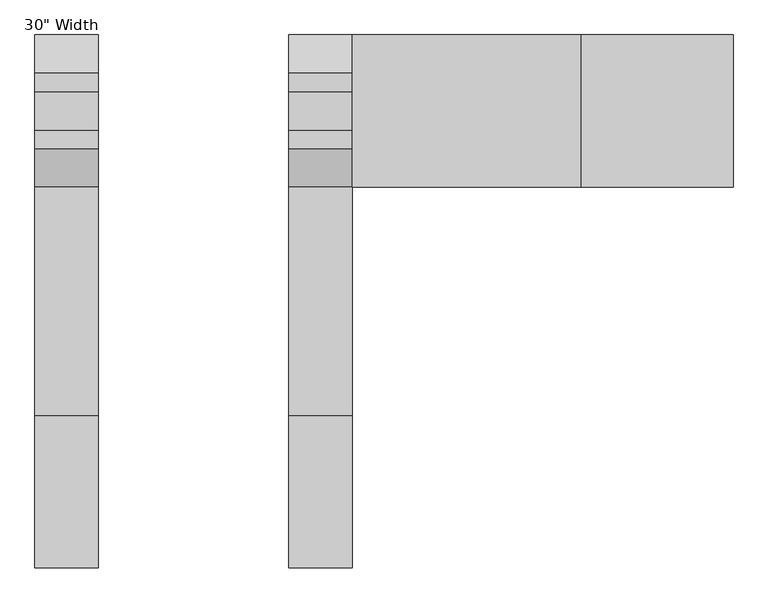
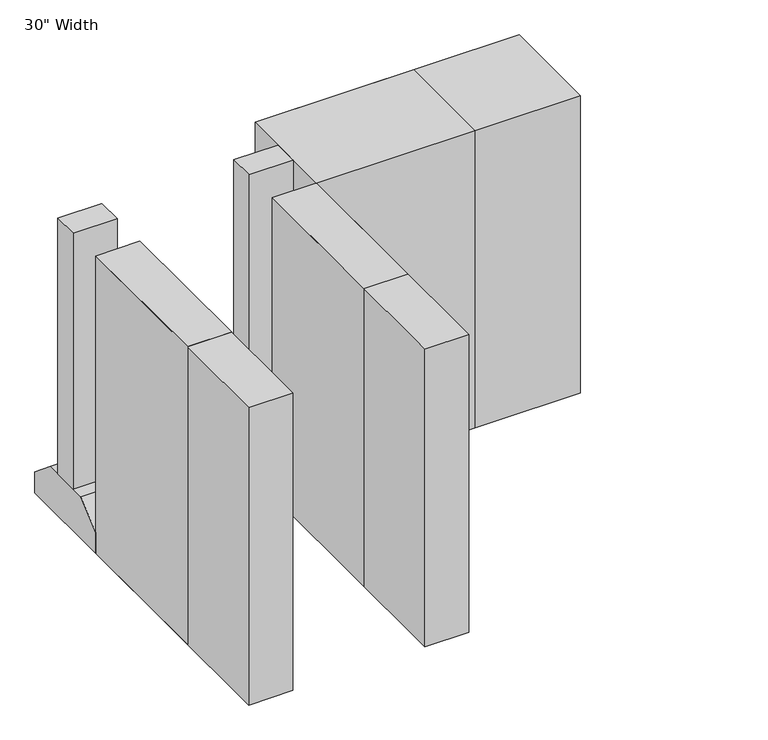
"""IFC4 building model written with IfcOpenShell, lengths in millimetres: proxy geometry."""

from ifc_helpers import new_model, si_unit, frame, origin, origin_with_axes, place, context, project, spatial, polyline, outline, extrude, source, transform, mapped, element, save


def proxy_3797ceef(model_context):
    return source(origin(), model_context, "Body", "SweptSolid", [
        extrude(outline(polyline([(1549.4, 304.8), (1549.4, -304.8), (635.0, -304.8), (635.0, 304.8), (1549.4, 304.8)])), origin_with_axes(), (0.0, 0.0, 1.0), 1816.1),
        extrude(outline(polyline([(381.0, -1219.2), (381.0, -304.8), (635.0, -304.8), (635.0, -1219.2), (381.0, -1219.2)])), origin_with_axes(), (0.0, 0.0, 1.0), 1816.1),
        extrude(outline(polyline([(-381.0, -1219.2), (-635.0, -1219.2), (-635.0, -304.8), (-381.0, -304.8), (-381.0, -1219.2)])), origin_with_axes(), (0.0, 0.0, 1.0), 1816.1),
        extrude(outline(polyline([(2159.0, 304.8), (2159.0, -304.8), (635.0, -304.8), (635.0, 304.8), (2159.0, 304.8)])), origin_with_axes(), (0.0, 0.0, 1.0), 1816.1),
        extrude(outline(polyline([(381.0, -1828.8), (381.0, -304.8), (635.0, -304.8), (635.0, -1828.8), (381.0, -1828.8)])), origin_with_axes(), (0.0, 0.0, 1.0), 1816.1),
        extrude(outline(polyline([(-381.0, -1828.8), (-635.0, -1828.8), (-635.0, -304.8), (-381.0, -304.8), (-381.0, -1828.8)])), origin_with_axes(), (0.0, 0.0, 1.0), 1816.1),
        extrude(outline(polyline([(-381.0, 76.2), (-381.0, -76.2), (-635.0, -76.2), (-635.0, 76.2), (-381.0, 76.2)])), frame((0.0, 0.0, 254.0), z_axis=(0.0, 0.0, 1.0), x_axis=(1.0, 0.0, 0.0)), (0.0, 0.0, 1.0), 1562.1),
        extrude(outline(polyline([(-153.4472937, 254.0), (153.4472937, 254.0), (304.8, 127.0), (304.8, 0.0), (-304.8, 0.0), (-304.8, 127.0), (-153.4472937, 254.0)])), frame((-635.0, 0.0, 0.0), z_axis=(1.0, 0.0, 0.0), x_axis=(0.0, 1.0, 0.0)), (0.0, 0.0, 1.0), 254.0),
        extrude(outline(polyline([(-153.4472937, 254.0), (153.4472937, 254.0), (304.8, 127.0), (304.8, 0.0), (-304.8, 0.0), (-304.8, 127.0), (-153.4472937, 254.0)])), frame((381.0, 0.0, 0.0), z_axis=(1.0, 0.0, 0.0), x_axis=(0.0, 1.0, 0.0)), (0.0, 0.0, 1.0), 254.0),
        extrude(outline(polyline([(381.0, 76.2), (635.0, 76.2), (635.0, -76.2), (381.0, -76.2), (381.0, 76.2)])), frame((0.0, 0.0, 254.0), z_axis=(0.0, 0.0, 1.0), x_axis=(1.0, 0.0, 0.0)), (0.0, 0.0, 1.0), 1562.1),
    ])


if __name__ == "__main__":
    model = new_model("IFC4")
    model_context = context("Model", 3, world=origin())
    ifc_project = project(units=[si_unit("LENGTHUNIT", "METRE", prefix="MILLI")], contexts=[model_context])
    site = spatial("IfcSite", under=ifc_project)
    building = spatial("IfcBuilding", under=site)
    placement = place(None, origin())
    proxy_shape = proxy_3797ceef(model_context)
    element("IfcBuildingElementProxy", 1, Name="30\" Width", ObjectType="30\" Width", at=placement, inside=building, context=model_context, shape_type="MappedRepresentation", body=[
        mapped(proxy_shape, transform((0.0, 0.0, 0.0), x_axis=(1.0, 0.0, 0.0), y_axis=(0.0, 1.0, 0.0), z_axis=(0.0, 0.0, 1.0))),
    ])
    save(model, "model.ifc")
